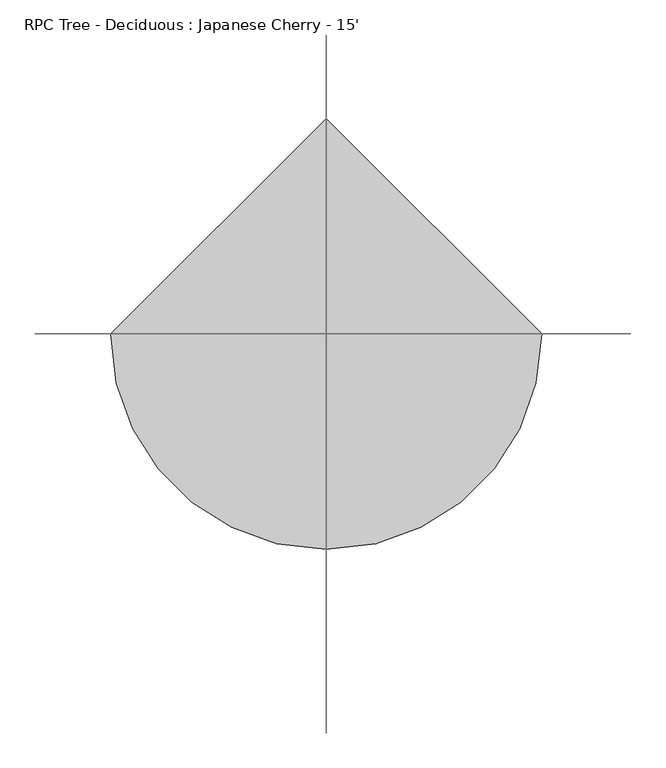
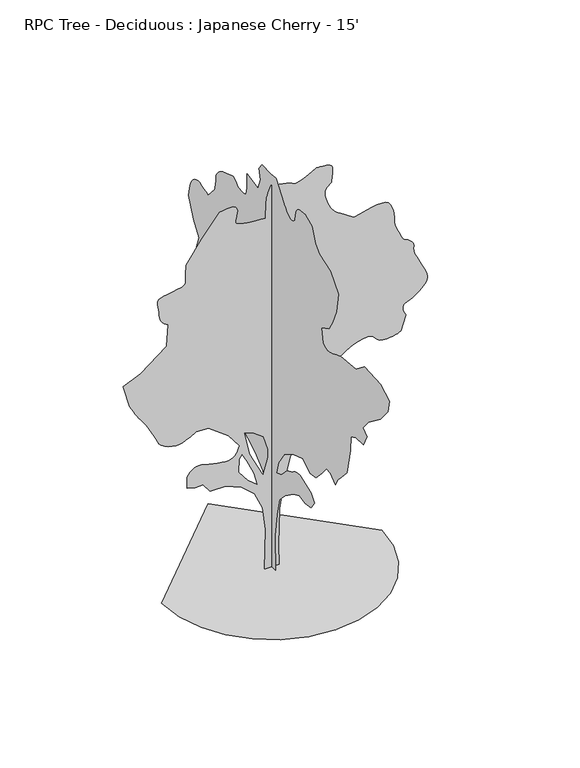
"""IFC4 building model written with IfcOpenShell, lengths in millimetres: geographic element geometry, RPC Tree - Deciduous : Japanese Cherry - 15'."""

from ifc_helpers import new_model, si_unit, origin, place, context, project, spatial, triangles, source, transform, mapped, element, save


def rpc_tree_deciduous_japanese_cherry_15_e499737d(model_context):
    return source(origin(), model_context, "Body", "Tessellation", [
        triangles([(-0.0028028, 75.7657196, 0.0059537), (-0.0028028, -73.2478183, 0.0059537), (-0.0028028, -59.7012251, 399.6312029), (-0.0028028, -100.3410047, 663.7914597), (-0.0028028, -147.7544623, 866.9916292), (-0.0028028, -256.1287339, 982.1375078), (-0.0028028, -418.6863261, 1097.2859299), (-0.0028028, -527.0605977, 1144.6976435), (-0.0028028, -635.434833, 1124.3775902), (-0.0028028, -750.5807842, 1144.6976435), (-0.0028028, -811.5407988, 1232.7519344), (-0.0028028, -750.5807842, 1314.0320023), (-0.0028028, -533.8347845, 1388.5377743), (-0.0028028, -514.9955638, 1387.0189716), (-0.0028028, -496.3341665, 1385.0834793), (-0.0028028, -478.0283798, 1382.3173691), (-0.0028028, -460.2559908, 1378.3091835), (-0.0028028, -443.1947865, 1372.6425236), (-0.0028028, -427.0200471, 1364.9005543), (-0.0028028, -411.9146828, 1354.6719635), (-0.0028028, -396.8067387, 1343.65345), (-0.0028028, -380.6345427, 1333.6991158), (-0.0028028, -363.5733384, 1324.6364422), (-0.0028028, -345.8009494, 1316.2824463), (-0.0028028, -327.4951627, 1308.4643188), (-0.0028028, -308.8337654, 1300.9992222), (-0.0028028, -289.994581, 1293.7118763), (-0.0028028, -188.3942419, 1185.3376774), (-0.0028028, -86.7944115, 1144.6976435), (-0.0028028, -127.4344454, 1286.9377258), (-0.0028028, -242.580869, 1456.2720119), (-0.0028028, -405.140496, 1557.8722057), (-0.0028028, -594.794799, 1618.8321476), (-0.0028028, -730.2607309, 1530.7779293), (-0.0028028, -838.6350025, 1544.3263756), (-0.0028028, -953.7809538, 1666.2439339), (-0.0028028, -1041.8351721, 1774.6181328), (-0.0028028, -1123.1126965, 1767.8439823), (-0.0028028, -1211.1669147, 1686.5663853), (-0.0028028, -1265.3528515, 1781.3922832), (-0.0028028, -1326.3127934, 1849.1240501), (-0.0028028, -1434.6871376, 1964.2723995), (-0.0028028, -1502.4187592, 2269.0726902), (-0.0028028, -1509.193055, 2431.6328259), (-0.0028028, -1604.0214237, 2472.2703163), (-0.0028028, -1753.0332584, 2485.8186172), (-0.0028028, -1813.9932003, 2614.5002975), (-0.0028028, -1739.4874283, 2675.4602394), (-0.0028028, -1841.0874767, 2797.3804138), (-0.0028028, -2071.3792339, 2973.5042564), (-0.0028028, -2220.3935394, 3149.6025192), (-0.0028028, -2247.4851997, 3291.8426743), (-0.0028028, -2078.1535297, 3386.6610146), (-0.0028028, -1766.5790886, 3400.2244308), (-0.0028028, -1610.7931034, 3278.3045471), (-0.0028028, -1312.7669632, 3244.4208595), (-0.0028028, -1272.2845505, 3228.5456657), (-0.0028028, -1232.7519344, 3213.2041603), (-0.0028028, -1195.1115721, 3198.9294502), (-0.0028028, -1160.3186377, 3186.2546425), (-0.0028028, -1129.3153702, 3175.7137161), (-0.0028028, -1103.0517843, 3167.8397781), (-0.0028028, -1082.4726625, 3163.1406464), (-0.0028028, -1064.0500225, 3162.8865921), (-0.0028028, -1044.5580437, 3166.9000099), (-0.0028028, -1025.4242552, 3173.6309944), (-0.0028028, -1008.065867, 3181.5558014), (-0.0028028, -993.907865, 3189.1248161), (-0.0028028, -984.3701477, 3194.789296), (-0.0028028, -980.8726141, 3197.024334), (-0.0028028, -947.0067307, 3359.5844696), (-0.0028028, -1089.2468857, 3434.0828293), (-0.0028028, -1156.9810507, 3542.4645859), (-0.0028028, -1231.4868954, 3718.5628487), (-0.0028028, -1272.127002, 3942.0832169), (-0.0028028, -1116.3410168, 4118.1814796), (-0.0028028, -913.1409199, 4192.7051285), (-0.0028028, -831.8608521, 4267.2034882), (-0.0028028, -770.9007648, 4429.7636238), (-0.0028028, -628.6606825, 4483.9417122), (-0.0028028, -605.4958537, 4483.8402649), (-0.0028028, -582.6891789, 4483.1542603), (-0.0028028, -560.5911455, 4481.2747238), (-0.0028028, -539.5599438, 4477.6426781), (-0.0028028, -519.9511116, 4471.5974075), (-0.0028028, -502.1202959, 4462.6310944), (-0.0028028, -486.4205638, 4450.0836044), (-0.0028028, -473.6824242, 4434.3863068), (-0.0028028, -464.1447433, 4416.5554184), (-0.0028028, -457.2740144, 4396.9467316), (-0.0028028, -452.5343691, 4375.9154572), (-0.0028028, -449.3949532, 4353.8173874), (-0.0028028, -447.3197528, 4331.0083145), (-0.0028028, -445.7805299, 4307.8434494), (-0.0028028, -434.0914178, 4294.9401672), (-0.0028028, -421.9248276, 4283.0531021), (-0.0028028, -408.8133096, 4273.1978897), (-0.0028028, -394.279422, 4266.3398781), (-0.0028028, -377.850701, 4263.5202827), (-0.0028028, -359.0495956, 4265.7303223), (-0.0028028, -337.4062583, 4273.9853416), (-0.0028028, -315.9610193, 4285.9741447), (-0.0028028, -297.7161846, 4298.6995308), (-0.0028028, -282.1358129, 4312.0091835), (-0.0028028, -268.6864885, 4325.8013649), (-0.0028028, -256.8373934, 4339.9237587), (-0.0028028, -246.0563473, 4354.3002068), (-0.0028028, -235.8074452, 4368.8033913), (-0.0028028, -140.9810386, 4497.5054192), (-0.0028028, -80.0209877, 4572.0037788), (-0.0028028, 21.579147, 4565.2219254), (-0.0028028, 184.1389784, 4572.0037788), (-0.0028028, 245.0987749, 4490.7235657), (-0.0028028, 218.0055885, 4375.5852448), (-0.0028028, 265.4200454, 4246.8835075), (-0.0028028, 475.3918765, 4287.5234688), (-0.0028028, 475.3918765, 4138.5014603), (-0.0028028, 476.9514107, 4115.4383331), (-0.0028028, 479.1637756, 4093.1623672), (-0.0028028, 482.6791134, 4072.5630432), (-0.0028028, 488.1502911, 4054.4781006), (-0.0028028, 496.2249435, 4039.6699928), (-0.0028028, 507.5609885, 4029.0273285), (-0.0028028, 522.8060609, 4023.3631393), (-0.0028028, 540.2228757, 4021.2551285), (-0.0028028, 557.6396542, 4020.5691238), (-0.0028028, 575.056469, 4021.0519432), (-0.0028028, 592.4732474, 4022.4995293), (-0.0028028, 609.8900259, 4024.6586998), (-0.0028028, 627.3093842, 4027.2748192), (-0.0028028, 644.726199, 4030.1449928), (-0.0028028, 660.7002239, 4045.9437378), (-0.0028028, 676.7352917, 4060.8791634), (-0.0028028, 692.8896835, 4074.0362091), (-0.0028028, 709.2193554, 4084.5265572), (-0.0028028, 725.7878208, 4091.4607269), (-0.0028028, 742.6534338, 4093.9498192), (-0.0028028, 759.8720776, 4091.1049347), (-0.0028028, 942.7522665, 4030.1449928), (-0.0028028, 968.7009007, 4012.6698967), (-0.0028028, 993.5827394, 3994.8390083), (-0.0028028, 1016.3309875, 3976.2971169), (-0.0028028, 1035.8813931, 3956.6881393), (-0.0028028, 1051.1646172, 3935.6568649), (-0.0028028, 1061.1163353, 3912.8477921), (-0.0028028, 1064.6722956, 3887.9048378), (-0.0028028, 1065.462291, 3862.3526184), (-0.0028028, 1067.6745832, 3837.8921928), (-0.0028028, 1071.0705969, 3814.3209572), (-0.0028028, 1075.4140091, 3791.4610153), (-0.0028028, 1080.4685698, 3769.1088913), (-0.0028028, 1085.9981741, 3747.1381393), (-0.0028028, 1091.7640285, 3725.3447021), (-0.0028028, 1220.4582081, 3583.1045471), (-0.0028028, 1259.5970982, 3600.2497215), (-0.0028028, 1298.4413841, 3615.8705704), (-0.0028028, 1336.691375, 3628.418351), (-0.0028028, 1374.0521759, 3636.343158), (-0.0028028, 1410.2294735, 3638.0956673), (-0.0028028, 1444.9259022, 3632.1521347), (-0.0028028, 1477.8442417, 3616.9629456), (-0.0028028, 1506.4193871, 3593.4931572), (-0.0028028, 1528.9517326, 3564.3086014), (-0.0028028, 1546.4471764, 3530.3996246), (-0.0028028, 1559.9143776, 3492.7059952), (-0.0028028, 1570.361269, 3452.1674812), (-0.0028028, 1578.7941845, 3409.7241417), (-0.0028028, 1586.218586, 3366.3410339), (-0.0028028, 1498.1643677, 3136.0643921), (-0.0028028, 1389.7926395, 2987.0423836), (-0.0028028, 1477.8442417, 2743.2023254), (-0.0028028, 1396.5641739, 2614.5002975), (-0.0028028, 1363.3893093, 2602.8164177), (-0.0028028, 1331.4588455, 2590.6497185), (-0.0028028, 1302.0151485, 2577.543251), (-0.0028028, 1276.3027645, 2563.0144867), (-0.0028028, 1255.5687103, 2546.5806061), (-0.0028028, 1241.0552067, 2527.7820442), (-0.0028028, 1234.0040382, 2506.1385979), (-0.0028028, 1231.6953129, 2483.1135498), (-0.0028028, 1230.4506214, 2460.4416779), (-0.0028028, 1230.0949745, 2438.0692062), (-0.0028028, 1230.4506214, 2415.9330574), (-0.0028028, 1231.339666, 2393.9721886), (-0.0028028, 1232.5842121, 2372.13326), (-0.0028028, 1234.0040382, 2350.3502872), (-0.0028028, 1206.9124506, 2241.9785591), (-0.0028028, 1017.2581112, 2262.2985397), (-0.0028028, 1001.4999161, 2230.5052769), (-0.0028028, 986.9863398, 2199.5401611), (-0.0028028, 974.9594576, 2170.2361359), (-0.0028028, 966.6663591, 2143.4188774), (-0.0028028, 963.3491198, 2119.9211838), (-0.0028028, 966.2523582, 2100.5664059), (-0.0028028, 976.6180773, 2086.1925739), (-0.0028028, 993.4227201, 2074.2646683), (-0.0028028, 1014.0196461, 2062.1005852), (-0.0028028, 1037.2225176, 2050.292149), (-0.0028028, 1061.8478313, 2039.431184), (-0.0028028, 1086.7093952, 2030.1093693), (-0.0028028, 1110.6234879, 2022.9211452), (-0.0028028, 1132.4039898, 2018.4583363), (-0.0028028, 1152.1322187, 2014.567004), (-0.0028028, 1170.7936523, 2008.9003441), (-0.0028028, 1188.5660414, 2001.7526699), (-0.0028028, 1205.6272093, 1993.4190216), (-0.0028028, 1222.157523, 1984.1961834), (-0.0028028, 1238.3297916, 1974.3816662), (-0.0028028, 1254.3241642, 1964.2723995), (-0.0028028, 1410.1126202, 2045.5524673), (-0.0028028, 1454.8979679, 2056.9850544), (-0.0028028, 1498.4412403, 2067.3533169), (-0.0028028, 1539.4952751, 2075.5879887), (-0.0028028, 1576.817997, 2080.6222744), (-0.0028028, 1609.1650051, 2081.3919949), (-0.0028028, 1635.2914627, 2076.8326801), (-0.0028028, 1653.9502075, 2065.8725933), (-0.0028028, 1666.2946575, 2049.9747265), (-0.0028028, 1674.7249569, 2031.5900928), (-0.0028028, 1679.8989143, 2011.1329113), (-0.0028028, 1682.4669262, 1989.0146393), (-0.0028028, 1683.0789528, 1965.6542919), (-0.0028028, 1682.3881519, 1941.4631813), (-0.0028028, 1681.0444839, 1916.8582878), (-0.0028028, 1657.7627655, 1892.3904499), (-0.0028028, 1634.1255455, 1869.1697742), (-0.0028028, 1609.7770317, 1848.4331039), (-0.0028028, 1584.3618679, 1831.4303627), (-0.0028028, 1557.5241165, 1819.4059513), (-0.0028028, 1528.9110374, 1813.5996197), (-0.0028028, 1498.1643677, 1815.2582394), (-0.0028028, 1465.6015297, 1822.4057682), (-0.0028028, 1432.5637207, 1830.9782101), (-0.0028028, 1400.2370602, 1839.0732101), (-0.0028028, 1369.8078129, 1844.8009129), (-0.0028028, 1342.4571568, 1846.2614342), (-0.0028028, 1319.3735367, 1841.5624477), (-0.0028028, 1301.7382759, 1828.8040695), (-0.0028028, 1288.4084209, 1812.3752758), (-0.0028028, 1277.2120113, 1797.7219551), (-0.0028028, 1267.7912201, 1784.5521194), (-0.0028028, 1259.7953419, 1772.5657871), (-0.0028028, 1252.8636429, 1761.4660286), (-0.0028028, 1246.6430923, 1750.9605652), (-0.0028028, 1240.778334, 1740.752322), (-0.0028028, 1263.8618088, 1737.6916077), (-0.0028028, 1286.1172817, 1733.6834221), (-0.0028028, 1306.714135, 1727.7779686), (-0.0028028, 1324.821896, 1719.0302467), (-0.0028028, 1339.6122723, 1706.4901691), (-0.0028028, 1350.2574074, 1689.2105553), (-0.0028028, 1355.9242126, 1666.2439339), (-0.0028028, 1358.2355541, 1639.3300243), (-0.0028028, 1359.4802456, 1610.9912018), (-0.0028028, 1359.8357471, 1581.4687305), (-0.0028028, 1359.4802456, 1550.9989334), (-0.0028028, 1358.591201, 1519.8178425), (-0.0028028, 1357.3466549, 1488.1643967), (-0.0028028, 1355.9242126, 1456.2720119), (-0.0028028, 1321.1312782, 1430.3436527), (-0.0028028, 1286.5720505, 1405.5990875), (-0.0028028, 1252.4876484, 1383.2266159), (-0.0028028, 1219.1146128, 1364.4078518), (-0.0028028, 1186.6915192, 1350.328624), (-0.0028028, 1155.4494581, 1342.1725811), (-0.0028028, 1125.6323828, 1341.1261333), (-0.0028028, 1095.812764, 1344.8167511), (-0.0028028, 1064.5732464, 1349.9322819), (-0.0028028, 1032.1476093, 1356.2316067), (-0.0028028, 998.774501, 1363.478112), (-0.0028028, 964.6902443, 1371.4385273), (-0.0028028, 930.1334873, 1379.8688267), (-0.0028028, 895.3380095, 1388.5377743), (-0.0028028, 692.1378399, 1341.1261333), (-0.0028028, 455.0718596, 1219.2061043), (-0.0028028, 319.6059277, 1144.6976435), (-0.0028028, 163.8189614, 1016.005862), (-0.0028028, 68.9922959, 819.5799156), (-0.0028028, 41.8991095, 541.8713216), (-0.0028028, 68.9922959, 264.1652892), (80.2102203, 0.0002552, 0.0), (-82.349661, 0.0002552, 0.0), (-68.8030678, 0.0002233, 460.5862032), (-102.6694236, 0.000202, 724.7463873), (-190.7229152, 0.0001914, 914.3981833), (-332.9637969, 0.0001914, 1043.0925081), (-509.0697627, 0.0001807, 1117.5983528), (-678.4015417, 0.0001807, 1117.5983528), (-759.684153, 0.0001807, 1219.1984013), (-847.7358278, 0.0001807, 1219.1984013), (-935.7901188, 0.0001807, 1239.5183819), (-935.7901188, 0.0001701, 1368.2127068), (-918.2539072, 0.0001701, 1391.2175526), (-900.0065472, 0.0001701, 1412.9192802), (-880.3392883, 0.0001595, 1432.0150623), (-858.5384388, 0.0001595, 1447.2017807), (-833.8928501, 0.0001595, 1457.1737011), (-805.6936993, 0.0001595, 1460.6307575), (-773.2299831, 0.0001595, 1456.266925), (-734.6829174, 0.0001595, 1446.5108345), (-690.4487715, 0.0001595, 1435.4516258), (-643.1335636, 0.0001701, 1424.2757092), (-595.3460009, 0.0001701, 1414.1639717), (-549.689449, 0.0001701, 1406.3051491), (-508.7725788, 0.0001701, 1401.8804192), (-475.2013721, 0.0001701, 1402.0785175), (-448.544024, 0.0001701, 1408.1415195), (-426.1513865, 0.0001701, 1419.8916744), (-407.3122021, 0.0001595, 1436.3813656), (-391.3152497, 0.0001595, 1456.660651), (-377.4544679, 0.0001595, 1479.7848209), (-365.0135485, 0.0001595, 1504.8039333), (-353.2838139, 0.0001595, 1530.7728424), (-475.2013721, 0.0001488, 1693.3329781), (-698.7215223, 0.0001382, 1855.8931137), (-834.1899977, 0.0001382, 1862.6647934), (-856.0492739, 0.0001382, 1849.6320133), (-878.4419477, 0.0001382, 1836.7771294), (-901.9038877, 0.0001382, 1824.277747), (-926.9610065, 0.0001382, 1812.3092915), (-954.1543322, 0.0001382, 1801.0544552), (-984.01203, 0.0001382, 1790.6861927), (-1017.0701866, 0.0001488, 1781.3847256), (-1055.1015862, 0.0001488, 1778.1664627), (-1097.4002398, 0.0001488, 1784.6638859), (-1140.7656887, 0.0001382, 1798.9792912), (-1182.0000904, 0.0001382, 1819.2206429), (-1217.9005154, 0.0001382, 1843.490237), (-1245.2690483, 0.0001382, 1869.8935673), (-1260.907774, 0.0001382, 1896.5332203), (-1274.5551968, 0.0001382, 1929.7461639), (-1296.2570698, 0.0001276, 1973.9803825), (-1323.2903034, 0.0001276, 2024.4959038), (-1352.9320988, 0.0001276, 2076.5482498), (-1382.45457, 0.0001276, 2125.4025352), (-1409.1321568, 0.0001169, 2166.3195145), (-1430.2420601, 0.0001169, 2194.5592152), (-1448.055217, 0.0001169, 2217.0508656), (-1466.5769062, 0.0001169, 2243.4541958), (-1485.6928905, 0.0001169, 2273.113868), (-1505.2813751, 0.0001169, 2305.3794857), (-1525.2255066, 0.0001063, 2339.6035595), (-1545.4082863, 0.0001063, 2375.12799), (-1565.7080647, 0.0001063, 2411.3051422), (-1640.2164528, 9.57e-05, 2668.7039658), (-1443.7878902, 8.51e-05, 2749.9838882), (-1159.310269, 7.44e-05, 2973.5042564), (-1145.7618954, 5.32e-05, 3217.3190254), (-1165.9447477, 5.32e-05, 3231.9748169), (-1185.2970549, 5.32e-05, 3247.3163223), (-1202.9906696, 5.32e-05, 3264.0804153), (-1218.1951195, 5.32e-05, 3282.9780991), (-1230.0823299, 5.32e-05, 3304.7203766), (-1237.8242992, 5.32e-05, 3330.0188324), (-1240.5902641, 5.32e-05, 3359.5591805), (-1243.0389519, 4.25e-05, 3392.8330215), (-1248.5659401, 4.25e-05, 3427.5294502), (-1254.4511913, 4.25e-05, 3461.7686394), (-1257.9665291, 4.25e-05, 3493.6204742), (-1256.3865383, 4.25e-05, 3521.204837), (-1246.9860947, 4.25e-05, 3542.6169022), (-1227.0419632, 4.25e-05, 3556.002713), (-1192.1092844, 4.25e-05, 3564.4103394), (-1144.1438982, 3.19e-05, 3572.715937), (-1090.0164608, 3.19e-05, 3581.5808029), (-1036.6002445, 3.19e-05, 3591.7915169), (-990.7659056, 3.19e-05, 3603.9835052), (-959.3867163, 3.19e-05, 3618.9186401), (-949.3359489, 3.19e-05, 3637.2829262), (-951.449192, 3.19e-05, 3659.3809959), (-952.1400656, 3.19e-05, 3684.6794518), (-951.644747, 3.19e-05, 3712.6448959), (-950.2045732, 3.19e-05, 3742.718351), (-948.0532511, 2.13e-05, 3774.4175789), (-945.4268852, 2.13e-05, 3807.1836021), (-942.5617258, 2.13e-05, 3840.4830231), (-773.2299831, 1.06e-05, 4084.3233719), (-576.803964, -1.06e-05, 4328.16343), (-534.9980856, -1.06e-05, 4335.1231796), (-494.9117606, -1.06e-05, 4340.3809982), (-458.2595647, -1.06e-05, 4342.2096657), (-426.7635221, -1.06e-05, 4338.8569633), (-402.1382083, -1.06e-05, 4328.6459587), (-386.1031769, -1.06e-05, 4309.850013), (-380.3754742, 0.0, 4280.7416153), (-383.1999384, 0.0, 4247.9503029), (-389.6972889, 0.0, 4219.0450905), (-396.9057878, 0.0, 4193.848082), (-401.8613357, 0.0, 4172.0549355), (-401.6048106, 0.0, 4153.462175), (-393.1720041, 0.0, 4137.8410355), (-373.6038308, 0.0, 4124.9633331), (-343.9238837, 0.0, 4114.5238541), (-307.8431645, 0.0, 4106.2435455), (-266.4335192, 1.06e-05, 4099.7157463), (-220.7586908, 1.06e-05, 4094.6355331), (-171.883967, 1.06e-05, 4090.5971169), (-120.8766607, 1.06e-05, 4087.2697037), (-68.8030678, 1.06e-05, 4084.3233719), (-62.0293897, 0.0, 4267.2034882), (-60.4495079, -1.06e-05, 4293.1367889), (-56.0260951, -1.06e-05, 4318.689299), (-49.2331141, -1.06e-05, 4343.962175), (-40.544273, -1.06e-05, 4369.0065765), (-30.4335416, -1.06e-05, 4393.8733727), (-19.3751868, -1.06e-05, 4418.612851), (-7.8427643, -1.06e-05, 4443.3017509), (38.3857792, -1.06e-05, 4434.5642029), (83.3110485, -1.06e-05, 4425.7249168), (125.6295138, -1.06e-05, 4416.6571564), (164.0381523, -1.06e-05, 4407.2083145), (197.2334371, -1.06e-05, 4397.3022331), (223.9120957, -1.06e-05, 4386.7865959), (242.7705922, -1.06e-05, 4375.5599556), (267.3174405, -1.06e-05, 4372.2834114), (307.2640574, -1.06e-05, 4382.5194145), (355.6256767, -1.06e-05, 4401.5188362), (405.4097383, -1.06e-05, 4424.5566742), (449.6235366, -1.06e-05, 4446.8576385), (481.2770551, -2.13e-05, 4463.7234695), (493.3827115, -2.13e-05, 4470.4035851), (503.1388384, -2.13e-05, 4470.6067703), (528.2975498, -2.13e-05, 4470.3274269), (562.6967946, -2.13e-05, 4468.2699944), (600.177065, -2.13e-05, 4463.1392029), (634.5763098, -1.06e-05, 4453.6142029), (659.7350212, -1.06e-05, 4438.3994339), (669.4911844, -1.06e-05, 4416.1999168), (669.0949877, -1.06e-05, 4390.4698013), (667.9900406, -1.06e-05, 4365.4506889), (666.2907984, -1.06e-05, 4341.0411324), (664.1190559, -1.06e-05, 4317.089106), (661.5918119, -1.06e-05, 4293.4922905), (658.8257017, 0.0, 4270.1245308), (655.9428108, 0.0, 4246.8835075), (638.6835445, 0.0, 4233.6753021), (622.3741476, 0.0, 4219.7308044), (607.9571134, 0.0, 4204.2114029), (596.3848546, 0.0, 4186.4060944), (588.6048426, 0.0, 4165.5271362), (585.5644395, 0.0, 4140.7876579), (588.2111166, 0.0, 4111.3996262), (595.5949319, 1.06e-05, 4078.8367882), (605.8235227, 1.06e-05, 4045.6643944), (618.4244614, 1.06e-05, 4012.9492401), (632.9176901, 1.06e-05, 3981.7834099), (648.8333611, 1.06e-05, 3953.233699), (665.698974, 1.06e-05, 3928.3416138), (683.0370146, 2.13e-05, 3908.1995293), (703.4154945, 2.13e-05, 3889.8099541), (729.1278786, 2.13e-05, 3869.6170006), (759.2802532, 2.13e-05, 3847.9505905), (792.9912043, 2.13e-05, 3825.1159378), (829.3639841, 2.13e-05, 3801.3670967), (867.5148531, 2.13e-05, 3777.0592781), (906.5572374, 2.13e-05, 3752.4212471), (974.48703, 2.13e-05, 3771.0140076), (1040.6997763, 2.13e-05, 3787.8795479), (1103.475959, 2.13e-05, 3801.2909386), (1161.1010027, 2.13e-05, 3809.5712471), (1211.8502306, 2.13e-05, 3810.9682549), (1254.0116833, 2.13e-05, 3803.7800308), (1285.8633728, 2.13e-05, 3786.2793549), (1308.8096466, 2.13e-05, 3757.831382), (1325.9495888, 3.19e-05, 3721.2045479), (1338.1136719, 3.19e-05, 3679.8280037), (1346.1325138, 3.19e-05, 3637.155899), (1350.8315002, 3.19e-05, 3596.6173851), (1353.0438652, 4.25e-05, 3561.641613), (1353.5976105, 4.25e-05, 3535.6827324), (1358.8503422, 4.25e-05, 3507.9969223), (1372.3961723, 4.25e-05, 3469.2870758), (1390.9178616, 4.25e-05, 3425.1418053), (1411.1006413, 5.32e-05, 3381.0982727), (1429.6249466, 5.32e-05, 3342.7442184), (1443.1707767, 5.32e-05, 3315.6423843), (1448.4235085, 5.32e-05, 3305.3808014), (1455.5126106, 5.32e-05, 3302.5614967), (1473.6202263, 5.32e-05, 3294.4079247), (1498.0094353, 5.32e-05, 3281.4031952), (1523.9376492, 5.32e-05, 3264.0042572), (1546.6656223, 5.32e-05, 3242.6936394), (1561.456144, 5.32e-05, 3217.9538704), (1563.5693871, 6.38e-05, 3190.2424805), (1560.9227463, 6.38e-05, 3161.8962456), (1563.9655838, 6.38e-05, 3134.3880409), (1571.7456322, 6.38e-05, 3106.8795456), (1583.3178909, 6.38e-05, 3078.5585999), (1597.7324181, 6.38e-05, 3048.5613029), (1614.0443584, 7.44e-05, 3016.0746231), (1631.3036247, 7.44e-05, 2980.2605301), (1651.0114334, 7.44e-05, 2941.4239471), (1672.8529781, 7.44e-05, 2900.911013), (1693.1526112, 7.44e-05, 2859.5850471), (1708.2377369, 8.51e-05, 2818.2593719), (1714.4404106, 8.51e-05, 2777.7461472), (1708.0801884, 8.51e-05, 2738.9095642), (1685.4894161, 8.51e-05, 2702.5620735), (1655.0603142, 9.57e-05, 2670.8884254), (1626.9983643, 9.57e-05, 2644.9042557), (1600.3587112, 9.57e-05, 2623.6442162), (1574.1941746, 9.57e-05, 2606.1944092), (1547.5546669, 9.57e-05, 2591.5894867), (1519.4951878, 9.57e-05, 2578.8641006), (1489.0634697, 9.57e-05, 2567.103772), (1463.2545799, 9.57e-05, 2553.5147758), (1448.4615875, 9.57e-05, 2536.3646599), (1442.8532089, 9.57e-05, 2516.2632706), (1444.5930737, 0.0001063, 2493.7893517), (1451.8397243, 0.0001063, 2469.5399597), (1462.7592613, 0.0001063, 2444.1069191), (1475.5176395, 0.0001063, 2418.079438), (1421.329232, 0.0001169, 2248.7450066), (1402.2741451, 0.0001169, 2240.1167542), (1382.0913654, 0.0001169, 2231.9607113), (1359.6579964, 0.0001169, 2224.752285), (1333.8491066, 0.0001169, 2218.9661556), (1303.5367126, 0.0001169, 2215.0772942), (1267.5955925, 0.0001169, 2213.5558754), (1224.9032856, 0.0001169, 2214.8791958), (1186.5543182, 0.0001169, 2223.6651421), (1160.2907324, 0.0001169, 2241.2216286), (1139.9504042, 0.0001169, 2263.0426804), (1119.3738258, 0.0001169, 2284.6250839), (1092.3990189, 0.0001169, 2301.470422), (1052.8638594, 0.0001169, 2309.0727196), (994.6089123, 0.0001169, 2302.9309433), (927.2531399, 0.0001169, 2283.7970821), (865.4625074, 0.0001169, 2256.8426228), (810.6645441, 0.0001169, 2224.1985397), (764.2764599, 0.0001169, 2188.0035107), (727.7258566, 0.0001169, 2150.3835686), (702.4274008, 0.0001276, 2113.4772457), (689.8112377, 0.0001276, 2079.4133366), (689.5343651, 0.0001276, 2049.0602474), (699.2092106, 0.0001276, 2021.5520428), (717.179698, 0.0001276, 1996.4136063), (741.7847368, 0.0001276, 1973.172583), (771.3655621, 0.0001382, 1951.3515312), (804.2662428, 0.0001382, 1930.4778053), (838.8229998, 0.0001382, 1910.0790504), (858.9855045, 0.0001382, 1896.9268009), (878.2006107, 0.0001382, 1883.2412991), (895.5183764, 0.0001382, 1868.4914726), (909.9938009, 0.0001382, 1852.1415985), (920.6770878, 0.0001382, 1833.6579884), (926.620693, 0.0001382, 1812.5073898), (926.8772181, 0.0001382, 1788.158876), (924.1721506, 0.0001488, 1758.4790016), (921.8225847, 0.0001488, 1722.4008259), (919.7677683, 0.0001488, 1680.9911442), (917.9516727, 0.0001488, 1635.3142811), (916.3107845, 0.0001595, 1586.4395027), (914.7919092, 0.0001595, 1535.4337498), (913.3288445, 0.0001595, 1483.3585854), (878.4571358, 0.0001595, 1457.529348), (843.3467062, 0.0001595, 1433.4780544), (807.7613056, 0.0001701, 1412.980323), (771.4646839, 0.0001701, 1397.8139523), (734.2231344, 0.0001701, 1389.7570312), (695.792922, 0.0001701, 1390.585033), (655.9428108, 0.0001701, 1402.0785175), (615.8971447, 0.0001701, 1417.3236626), (576.9157305, 0.0001701, 1428.6597439), (538.820781, 0.0001595, 1436.7368671), (501.4395962, 0.0001595, 1442.205574), (464.5917727, 0.0001595, 1445.7209118), (428.0995597, 0.0001595, 1447.9332767), (391.7826267, 0.0001595, 1449.4927746), (276.6366936, 0.0001701, 1374.9868572), (202.1305764, 0.0001807, 1205.6525711), (127.6236689, 0.0001914, 921.1724064), (86.9838894, 0.0002126, 643.4663195), (73.4370464, 0.0002339, 237.0665254), (-95.8962542, 8.51e-05, 1097.2783722), (-41.7096271, 7.44e-05, 1286.9326389), (-41.7096271, 6.38e-05, 1381.7585369), (-89.122576, 5.32e-05, 1544.3186726), (-211.0424234, 5.32e-05, 1632.3728909), (-305.8695931, 5.32e-05, 1666.238847), (-244.9095423, 6.38e-05, 1395.3069832), (-156.8557963, 6.38e-05, 1009.2266247), (-197.4958302, 6.38e-05, 1158.2383867), (-272.003746, 5.32e-05, 1320.7984497), (-326.1896101, 4.25e-05, 1422.3986435), (-360.0554572, 4.25e-05, 1374.9868572), (-366.829644, 5.32e-05, 1225.9725517), (-265.2295592, 6.38e-05, 1097.2783722), (-1212.9170259, 0.0, 0.0045929), (-1180.85205, -277.9194097, 0.0045929), (-1089.5287725, -533.1464181, 0.0045929), (-946.2625174, -758.3633034, 0.0045929), (-758.3633034, -946.2625174, 0.0045929), (-533.1464181, -1089.5287725, 0.0045929), (-277.9194097, -1180.85205, 0.0045929), (5.3e-05, -1212.9170259, 0.0045929), (277.9194097, -1180.85205, 0.0045929), (533.1464181, -1089.5287725, 0.0045929), (758.3633034, -946.2625174, 0.0045929), (946.2625174, -758.3633034, 0.0045929), (1089.5287725, -533.1464181, 0.0045929), (1180.85205, -277.9194097, 0.0045929), (1212.9170259, 0.0001063, 0.0045929), (-0.0001591, 1212.9170259, 0.0045929)], [[38, 39, 40], [115, 116, 117], [1, 2, 3], [280, 1, 3], [279, 280, 3], [279, 3, 4], [278, 279, 4], [278, 4, 5], [186, 187, 188], [277, 278, 5], [46, 47, 48], [45, 46, 48], [277, 5, 6], [185, 186, 188], [10, 11, 12], [9, 10, 12], [9, 12, 13], [8, 9, 13], [8, 13, 14], [8, 14, 15], [8, 15, 16], [8, 16, 17], [8, 17, 18], [8, 18, 19], [8, 19, 20], [8, 20, 21], [7, 8, 21], [7, 21, 22], [7, 22, 23], [7, 23, 24], [7, 24, 25], [7, 25, 26], [6, 7, 26], [6, 26, 27], [6, 27, 28], [277, 6, 28], [277, 28, 29], [51, 52, 53], [50, 51, 53], [50, 53, 54], [50, 54, 55], [49, 50, 55], [49, 55, 56], [48, 49, 56], [48, 56, 57], [45, 48, 57], [44, 45, 57], [44, 57, 58], [44, 58, 59], [44, 59, 60], [44, 60, 61], [44, 61, 62], [44, 62, 63], [276, 277, 29], [276, 29, 30], [184, 185, 188], [183, 184, 188], [44, 63, 64], [115, 117, 118], [111, 112, 113], [111, 113, 114], [182, 183, 188], [109, 110, 111], [109, 111, 114], [108, 109, 114], [108, 114, 115], [107, 108, 115], [106, 107, 115], [105, 106, 115], [104, 105, 115], [115, 118, 119], [170, 171, 172], [170, 172, 173], [170, 173, 174], [170, 174, 175], [74, 75, 76], [74, 76, 77], [73, 74, 77], [72, 73, 77], [71, 72, 77], [258, 259, 260], [181, 182, 188], [78, 79, 80], [170, 175, 176], [103, 104, 115], [78, 80, 81], [44, 64, 65], [275, 276, 30], [275, 30, 31], [274, 275, 31], [78, 81, 82], [78, 82, 83], [78, 83, 84], [78, 84, 85], [78, 85, 86], [78, 86, 87], [78, 87, 88], [78, 88, 89], [78, 89, 90], [78, 90, 91], [78, 91, 92], [78, 92, 93], [78, 93, 94], [78, 94, 95], [78, 95, 96], [71, 77, 78], [71, 78, 96], [71, 96, 97], [71, 97, 98], [71, 98, 99], [71, 99, 100], [115, 119, 120], [180, 181, 188], [38, 40, 41], [223, 224, 225], [33, 34, 35], [33, 35, 36], [33, 36, 37], [102, 103, 115], [179, 180, 188], [44, 65, 66], [170, 176, 177], [71, 100, 101], [43, 44, 66], [42, 43, 66], [41, 42, 66], [38, 41, 66], [37, 38, 66], [33, 37, 66], [33, 66, 67], [33, 67, 68], [33, 68, 69], [33, 69, 70], [32, 33, 70], [31, 32, 70], [274, 31, 70], [273, 274, 70], [273, 70, 71], [273, 71, 101], [273, 101, 102], [273, 102, 115], [273, 115, 120], [273, 120, 121], [273, 121, 122], [273, 122, 123], [273, 123, 124], [273, 124, 125], [273, 125, 126], [273, 126, 127], [273, 127, 128], [273, 128, 129], [273, 129, 130], [273, 130, 131], [272, 273, 131], [271, 272, 131], [270, 271, 131], [269, 270, 131], [268, 269, 131], [268, 131, 132], [268, 132, 133], [268, 133, 134], [167, 168, 169], [257, 258, 260], [257, 260, 261], [256, 257, 261], [256, 261, 262], [255, 256, 262], [255, 262, 263], [254, 255, 263], [254, 263, 264], [254, 264, 265], [254, 265, 266], [254, 266, 267], [254, 267, 268], [253, 254, 268], [252, 253, 268], [251, 252, 268], [250, 251, 268], [249, 250, 268], [248, 249, 268], [247, 248, 268], [246, 247, 268], [245, 246, 268], [166, 167, 169], [165, 166, 169], [164, 165, 169], [163, 164, 169], [162, 163, 169], [161, 162, 169], [160, 161, 169], [159, 160, 169], [158, 159, 169], [157, 158, 169], [156, 157, 169], [155, 156, 169], [154, 155, 169], [154, 169, 170], [154, 170, 177], [153, 154, 177], [153, 177, 178], [153, 178, 179], [153, 179, 188], [222, 223, 225], [222, 225, 226], [221, 222, 226], [220, 221, 226], [219, 220, 226], [218, 219, 226], [217, 218, 226], [216, 217, 226], [215, 216, 226], [214, 215, 226], [213, 214, 226], [212, 213, 226], [212, 226, 227], [212, 227, 228], [212, 228, 229], [212, 229, 230], [212, 230, 231], [211, 212, 231], [211, 231, 232], [211, 232, 233], [210, 211, 233], [209, 210, 233], [209, 233, 234], [209, 234, 235], [209, 235, 236], [209, 236, 237], [209, 237, 238], [209, 238, 239], [209, 239, 240], [208, 209, 240], [208, 240, 241], [207, 208, 241], [206, 207, 241], [206, 241, 242], [205, 206, 242], [204, 205, 242], [204, 242, 243], [203, 204, 243], [202, 203, 243], [202, 243, 244], [201, 202, 244], [201, 244, 245], [201, 245, 268], [200, 201, 268], [199, 200, 268], [198, 199, 268], [197, 198, 268], [196, 197, 268], [195, 196, 268], [194, 195, 268], [153, 188, 189], [153, 189, 190], [152, 153, 190], [152, 190, 191], [151, 152, 191], [136, 137, 138], [135, 136, 138], [135, 138, 139], [134, 135, 139], [134, 139, 140], [134, 140, 141], [134, 141, 142], [134, 142, 143], [134, 143, 144], [134, 144, 145], [134, 145, 146], [134, 146, 147], [134, 147, 148], [134, 148, 149], [134, 149, 150], [134, 150, 151], [134, 151, 191], [134, 191, 192], [134, 192, 193], [268, 134, 193], [194, 268, 193], [583, 580, 581], [574, 281, 575], [580, 583, 584], [573, 574, 575], [583, 581, 575], [580, 584, 585], [572, 573, 575], [582, 583, 575], [582, 575, 281], [571, 572, 575], [571, 575, 576], [281, 282, 283], [570, 571, 576], [570, 576, 577], [344, 345, 346], [290, 291, 292], [406, 407, 408], [570, 577, 578], [290, 292, 293], [289, 290, 293], [289, 293, 294], [289, 294, 295], [289, 295, 296], [289, 296, 297], [289, 297, 298], [289, 298, 299], [289, 299, 300], [289, 300, 301], [289, 301, 302], [289, 302, 303], [288, 289, 303], [287, 288, 303], [287, 303, 304], [287, 304, 305], [287, 305, 306], [286, 287, 306], [286, 306, 307], [286, 307, 308], [286, 308, 309], [569, 570, 578], [554, 555, 556], [405, 406, 408], [343, 344, 346], [512, 513, 514], [511, 512, 514], [511, 514, 515], [511, 515, 516], [511, 516, 517], [510, 511, 517], [510, 517, 518], [510, 518, 519], [510, 519, 520], [510, 520, 521], [510, 521, 522], [510, 522, 523], [510, 523, 524], [509, 510, 524], [509, 524, 525], [508, 509, 525], [434, 435, 436], [342, 343, 346], [507, 508, 525], [507, 525, 526], [405, 408, 409], [404, 405, 409], [403, 404, 409], [403, 409, 410], [402, 403, 410], [401, 402, 410], [400, 401, 410], [400, 410, 411], [399, 400, 411], [399, 411, 412], [399, 412, 413], [399, 413, 414], [399, 414, 415], [377, 378, 379], [341, 342, 346], [341, 346, 347], [340, 341, 347], [339, 340, 347], [338, 339, 347], [337, 338, 347], [336, 337, 347], [335, 336, 347], [334, 335, 347], [333, 334, 347], [377, 379, 380], [377, 380, 381], [377, 381, 382], [377, 382, 383], [377, 383, 384], [377, 384, 385], [377, 385, 386], [377, 386, 387], [377, 387, 388], [377, 388, 389], [377, 389, 390], [377, 390, 391], [376, 377, 391], [376, 391, 392], [375, 376, 392], [374, 375, 392], [373, 374, 392], [372, 373, 392], [372, 392, 393], [371, 372, 393], [370, 371, 393], [369, 370, 393], [369, 393, 394], [369, 394, 395], [369, 395, 396], [332, 333, 347], [369, 396, 397], [426, 427, 428], [426, 428, 429], [425, 426, 429], [425, 429, 430], [424, 425, 430], [424, 430, 431], [423, 424, 431], [423, 431, 432], [422, 423, 432], [422, 432, 433], [421, 422, 433], [420, 421, 433], [419, 420, 433], [418, 419, 433], [418, 433, 434], [418, 434, 436], [418, 436, 437], [418, 437, 438], [418, 438, 439], [417, 418, 439], [417, 439, 440], [416, 417, 440], [416, 440, 441], [415, 416, 441], [399, 415, 441], [399, 441, 442], [399, 442, 443], [399, 443, 444], [399, 444, 445], [399, 445, 446], [399, 446, 447], [399, 447, 448], [399, 448, 449], [369, 397, 398], [331, 332, 347], [368, 369, 398], [360, 361, 362], [359, 360, 362], [359, 362, 363], [358, 359, 363], [358, 363, 364], [357, 358, 364], [357, 364, 365], [356, 357, 365], [355, 356, 365], [355, 365, 366], [354, 355, 366], [353, 354, 366], [352, 353, 366], [351, 352, 366], [350, 351, 366], [349, 350, 366], [348, 349, 366], [348, 366, 367], [348, 367, 368], [348, 368, 398], [347, 348, 398], [347, 398, 399], [347, 399, 449], [347, 449, 450], [347, 450, 451], [347, 451, 452], [331, 347, 452], [331, 452, 453], [331, 453, 454], [331, 454, 455], [331, 455, 456], [330, 331, 456], [329, 330, 456], [328, 329, 456], [327, 328, 456], [326, 327, 456], [325, 326, 456], [324, 325, 456], [323, 324, 456], [322, 323, 456], [321, 322, 456], [320, 321, 456], [319, 320, 456], [318, 319, 456], [317, 318, 456], [316, 317, 456], [315, 316, 456], [314, 315, 456], [314, 456, 457], [314, 457, 458], [314, 458, 459], [314, 459, 460], [314, 460, 461], [314, 461, 462], [314, 462, 463], [314, 463, 464], [314, 464, 465], [314, 465, 466], [314, 466, 467], [314, 467, 468], [314, 468, 469], [314, 469, 470], [314, 470, 471], [314, 471, 472], [314, 472, 473], [314, 473, 474], [314, 474, 475], [314, 475, 476], [314, 476, 477], [314, 477, 478], [314, 478, 479], [314, 479, 480], [314, 480, 481], [314, 481, 482], [314, 482, 483], [314, 483, 484], [314, 484, 485], [314, 485, 486], [314, 486, 487], [314, 487, 488], [314, 488, 489], [314, 489, 490], [314, 490, 491], [314, 491, 492], [314, 492, 493], [314, 493, 494], [314, 494, 495], [314, 495, 496], [314, 496, 497], [314, 497, 498], [314, 498, 499], [314, 499, 500], [314, 500, 501], [314, 501, 502], [580, 585, 586], [554, 556, 557], [553, 554, 557], [553, 557, 558], [553, 558, 559], [553, 559, 560], [553, 560, 561], [553, 561, 562], [553, 562, 563], [552, 553, 563], [552, 563, 564], [551, 552, 564], [550, 551, 564], [550, 564, 565], [549, 550, 565], [549, 565, 566], [548, 549, 566], [547, 548, 566], [546, 547, 566], [545, 546, 566], [544, 545, 566], [543, 544, 566], [542, 543, 566], [541, 542, 566], [540, 541, 566], [539, 540, 566], [538, 539, 566], [538, 566, 567], [537, 538, 567], [537, 567, 568], [537, 568, 569], [537, 569, 578], [536, 537, 578], [535, 536, 578], [535, 578, 579], [534, 535, 579], [534, 579, 580], [533, 534, 580], [532, 533, 580], [507, 526, 527], [506, 507, 527], [531, 532, 580], [506, 527, 528], [530, 531, 580], [281, 283, 284], [582, 281, 284], [582, 284, 285], [582, 285, 286], [588, 582, 286], [587, 588, 286], [587, 286, 309], [586, 587, 309], [586, 309, 310], [586, 310, 311], [586, 311, 312], [586, 312, 313], [580, 586, 313], [580, 313, 314], [530, 580, 314], [529, 530, 314], [502, 503, 504], [502, 504, 505], [314, 502, 505], [529, 314, 505], [529, 505, 506], [529, 506, 528], [603, 604, 589], [602, 603, 589], [602, 589, 590], [601, 602, 590], [601, 590, 591], [601, 591, 592], [600, 601, 592], [599, 600, 592], [599, 592, 593], [599, 593, 594], [599, 594, 595], [599, 595, 596], [599, 596, 597], [599, 597, 598]], closed=False),
    ])


if __name__ == "__main__":
    model = new_model("IFC4")
    model_context = context("Model", 3, world=origin())
    ifc_project = project(units=[si_unit("LENGTHUNIT", "METRE", prefix="MILLI")], contexts=[model_context])
    site = spatial("IfcSite", under=ifc_project)
    building = spatial("IfcBuilding", under=site)
    placement = place(None, origin())
    rpc_tree_deciduous_japanese_cherry_15_shape = rpc_tree_deciduous_japanese_cherry_15_e499737d(model_context)
    element("IfcGeographicElement", 1, ObjectType="RPC Tree - Deciduous : Japanese Cherry - 15'", at=placement, inside=building, context=model_context, shape_type="MappedRepresentation", body=[
        mapped(rpc_tree_deciduous_japanese_cherry_15_shape, transform((0.0, 0.0, 0.0), x_axis=(1.0, 0.0, 0.0), y_axis=(0.0, 1.0, 0.0), z_axis=(0.0, 0.0, 1.0))),
    ])
    save(model, "model.ifc")
